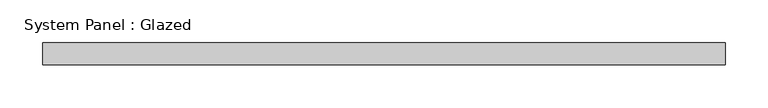
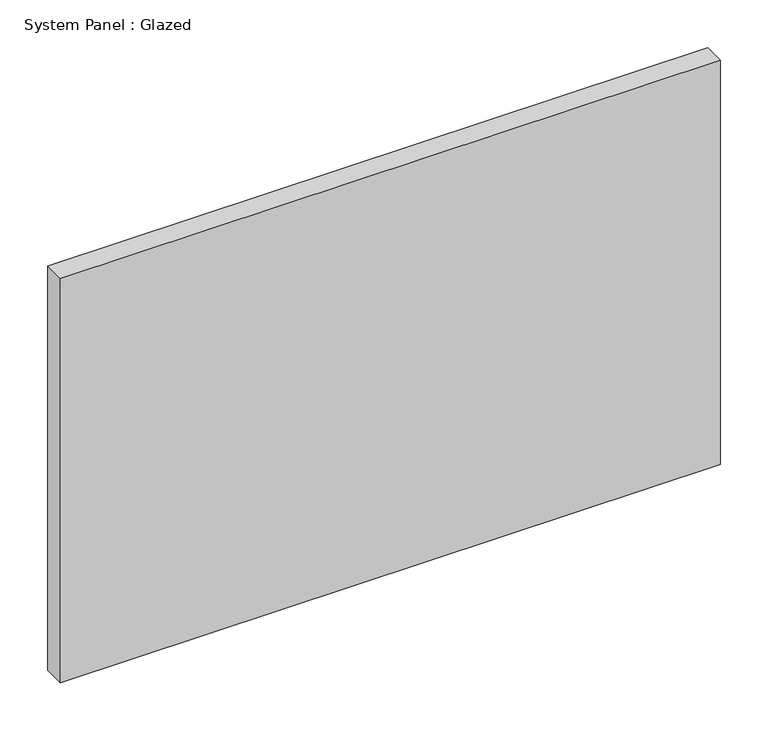
"""IFC4 building model written with IfcOpenShell, lengths in millimetres: plate geometry, System Panel : Glazed."""

from ifc_helpers import new_model, si_unit, origin, origin_with_axes, place, context, project, spatial, polyline, outline, extrude, source, transform, mapped, element, save


def system_panel_glazed_1973dfd7(model_context):
    return source(origin(), model_context, "Body", "SweptSolid", [
        extrude(outline(polyline([(396.875, 19.05), (-396.875, 19.05), (-396.875, 44.45), (396.875, 44.45), (396.875, 19.05)])), origin_with_axes(), (0.0, 0.0, 1.0), 514.35),
    ])


if __name__ == "__main__":
    model = new_model("IFC4")
    model_context = context("Model", 3, world=origin())
    ifc_project = project(units=[si_unit("LENGTHUNIT", "METRE", prefix="MILLI")], contexts=[model_context])
    site = spatial("IfcSite", under=ifc_project)
    building = spatial("IfcBuilding", under=site)
    placement = place(None, origin())
    system_panel_glazed_shape = system_panel_glazed_1973dfd7(model_context)
    element("IfcPlate", 1, ObjectType="System Panel : Glazed", at=placement, inside=building, context=model_context, shape_type="MappedRepresentation", body=[
        mapped(system_panel_glazed_shape, transform((0.0, 0.0, 0.0), x_axis=(1.0, 0.0, 0.0), y_axis=(0.0, 1.0, 0.0), z_axis=(0.0, 0.0, 1.0))),
    ])
    save(model, "model.ifc")
